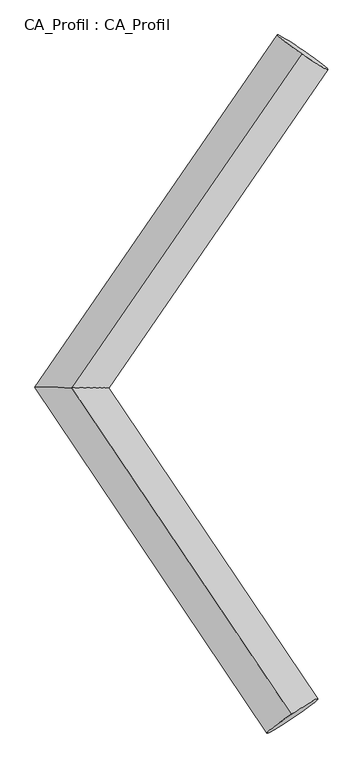
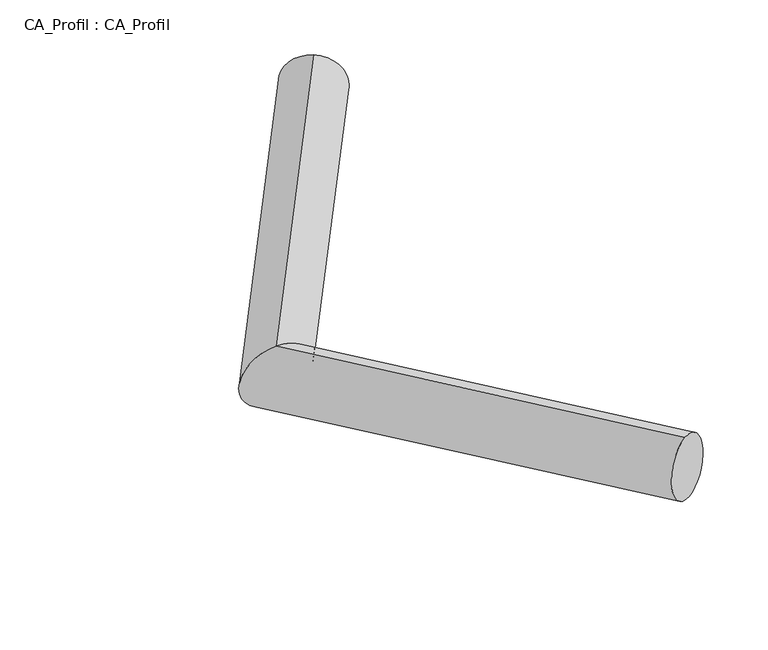
"""IFC4 building model written with IfcOpenShell, lengths in millimetres: plate geometry, CA_Profil : CA_Profil."""

from ifc_helpers import new_model, si_unit, frame, origin, place, context, project, spatial, circle_curve, ellipse_curve, source, transform, mapped, element, save
from ifc_brep_helpers import plane_surface, cylinder_surface, advanced_brep


def ca_profil_ca_profil_0a84cbb1(model_context):
    return source(origin(), model_context, "Body", "AdvancedBrep", [
        advanced_brep(
        [(6147.9318434, 8842.8831861, -150.7885204), (6128.9667756, 8819.5303309, 348.3056294), (4253.5036951, 6095.5284362, -351.3249041), (4251.2918309, 6096.4715638, 149.542671), (6063.7809371, 3405.2917364, -146.4780928), (6045.0962011, 3430.7150504, 352.5254501)],
        [
            (0, 1, circle_curve(frame((6138.4493095, 8831.2067585, 98.7585545), z_axis=(0.5666500231593473, 0.821772329573306, 0.05998324433684084), x_axis=(-0.03793013559866157, -0.04670571041578137, 0.998188299584815)), 250.0)),
            (1, 0, circle_curve(frame((6138.4493095, 8831.2067585, 98.7585545), z_axis=(0.5666500231593473, 0.821772329573306, 0.05998324433684084), x_axis=(-0.03793013559866157, -0.04670571041578137, 0.998188299584815)), 250.0)),
            (0, 2),
            (2, 3, ellipse_curve(frame((4252.397763, 6096.0, -100.8911166), z_axis=(0.005747206630314286, 0.9999817593519753, -0.0018575734915590725), x_axis=(0.9940457408314872, -0.005510937947239213, 0.10882414574772298)), 303.0660937, 250.0)),
            (3, 1),
            (3, 2, ellipse_curve(frame((4252.397763, 6096.0, -100.8911166), z_axis=(0.005747206630314286, 0.9999817593519753, -0.0018575734915590725), x_axis=(0.9940457408314872, -0.005510937947239213, 0.10882414574772298)), 303.0660937, 250.0)),
            (4, 5, circle_curve(frame((6054.4385691, 3418.0033934, 103.0236787), z_axis=(0.5571682521039316, -0.8280027197098491, 0.06304787863634037), x_axis=(-0.037369471925739015, 0.05084662798399449, 0.9980070856415043)), 250.0)),
            (5, 4, circle_curve(frame((6054.4385691, 3418.0033934, 103.0236787), z_axis=(0.5571682521039316, -0.8280027197098491, 0.06304787863634037), x_axis=(-0.037369471925739015, 0.05084662798399449, 0.9980070856415043)), 250.0)),
            (2, 4),
            (5, 3),
        ],
        [
            plane_surface(frame((6138.4493095, 8849.4064731, -150.5781062), z_axis=(0.5666500231593475, 0.8217723295733059, 0.059983244336840276), x_axis=(0.8239585858849406, -0.56514649833317, -0.0412514747402486))),
            cylinder_surface(frame((6138.4493095, 8831.2067585, 98.7585545), z_axis=(0.5666500231593473, 0.821772329573306, 0.05998324433684084), x_axis=(-0.03793013559866157, -0.04670571041578137, 0.998188299584815)), 250.0),
            plane_surface(frame((6054.4385691, 3399.0222075, -146.2547091), z_axis=(0.5571682521039323, -0.8280027197098487, 0.06304787863633994), x_axis=(0.8303996259918769, 0.5555600142846782, -0.04230285664773914))),
            cylinder_surface(frame((4252.397763, 6096.0, -100.8911166), z_axis=(-0.5571682521039317, 0.8280027197098493, -0.06304787863634038), x_axis=(-0.037369471925739015, 0.05084662798399449, 0.9980070856415043)), 250.0),
        ],
        [
            (0, [[1, 2]]),
            (1, [[-1, 3, 4, 5]]),
            (1, [[-2, -5, 6, -3]]),
            (2, [[7, 8]]),
            (3, [[-4, 9, -8, 10]]),
            (3, [[-6, -10, -7, -9]]),
        ],
    ),
    ])


if __name__ == "__main__":
    model = new_model("IFC4")
    model_context = context("Model", 3, world=origin())
    ifc_project = project(units=[si_unit("LENGTHUNIT", "METRE", prefix="MILLI")], contexts=[model_context])
    site = spatial("IfcSite", under=ifc_project)
    building = spatial("IfcBuilding", under=site)
    placement = place(None, origin())
    ca_profil_ca_profil_shape = ca_profil_ca_profil_0a84cbb1(model_context)
    element("IfcPlate", 1, ObjectType="CA_Profil : CA_Profil", at=placement, inside=building, context=model_context, shape_type="MappedRepresentation", body=[
        mapped(ca_profil_ca_profil_shape, transform((0.0, 0.0, 0.0), x_axis=(1.0, 0.0, 0.0), y_axis=(0.0, 1.0, 0.0), z_axis=(0.0, 0.0, 1.0))),
    ])
    save(model, "model.ifc")
